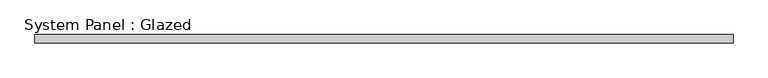
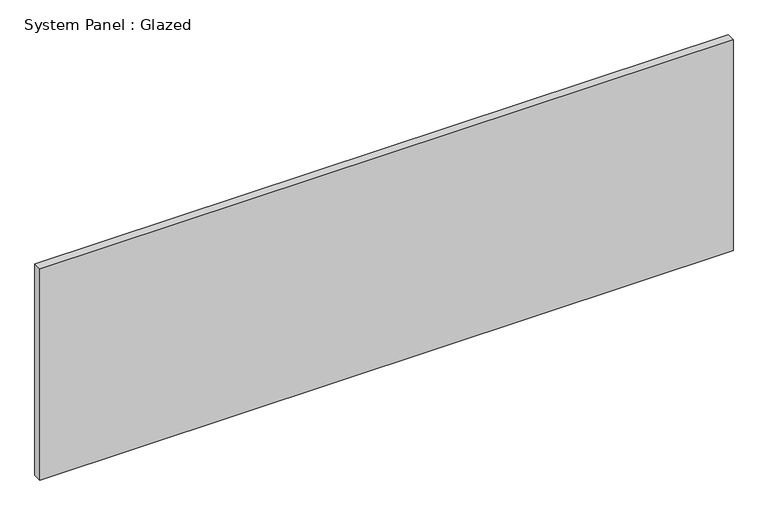
"""IFC4 building model written with IfcOpenShell, lengths in millimetres: plate geometry, System Panel : Glazed."""

from ifc_helpers import new_model, si_unit, origin, origin_with_axes, place, context, project, spatial, polyline, outline, extrude, source, transform, mapped, element, save


def system_panel_glazed_b46f0795(model_context):
    return source(origin(), model_context, "Body", "SweptSolid", [
        extrude(outline(polyline([(1035.05, 19.05), (-1035.05, 19.05), (-1035.05, 44.45), (1035.05, 44.45), (1035.05, 19.05)])), origin_with_axes(), (0.0, 0.0, 1.0), 666.75),
    ])


if __name__ == "__main__":
    model = new_model("IFC4")
    model_context = context("Model", 3, world=origin())
    ifc_project = project(units=[si_unit("LENGTHUNIT", "METRE", prefix="MILLI")], contexts=[model_context])
    site = spatial("IfcSite", under=ifc_project)
    building = spatial("IfcBuilding", under=site)
    placement = place(None, origin())
    system_panel_glazed_shape = system_panel_glazed_b46f0795(model_context)
    element("IfcPlate", 1, ObjectType="System Panel : Glazed", at=placement, inside=building, context=model_context, shape_type="MappedRepresentation", body=[
        mapped(system_panel_glazed_shape, transform((0.0, 0.0, 0.0), x_axis=(1.0, 0.0, 0.0), y_axis=(0.0, 1.0, 0.0), z_axis=(0.0, 0.0, 1.0))),
    ])
    save(model, "model.ifc")
